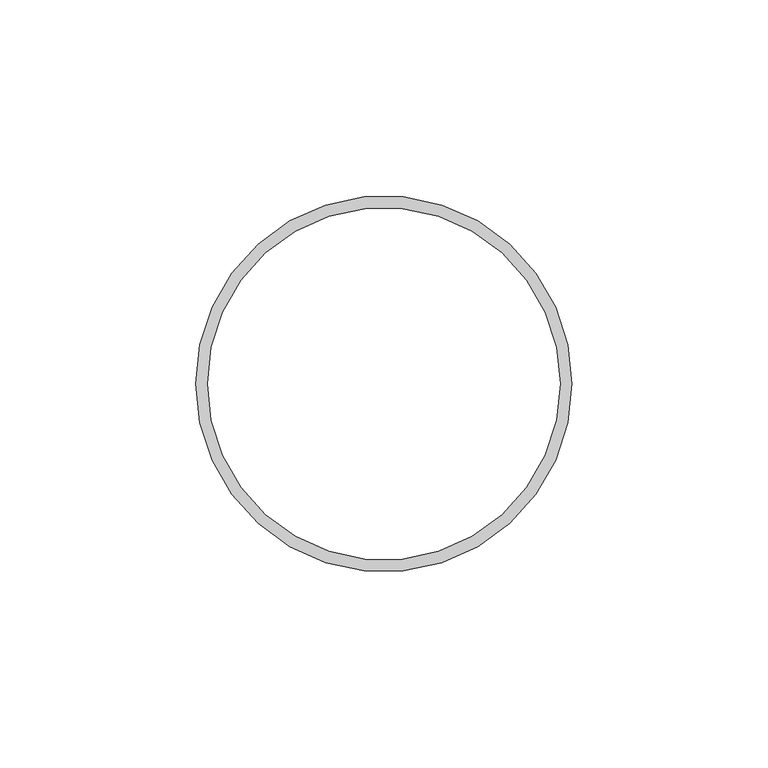
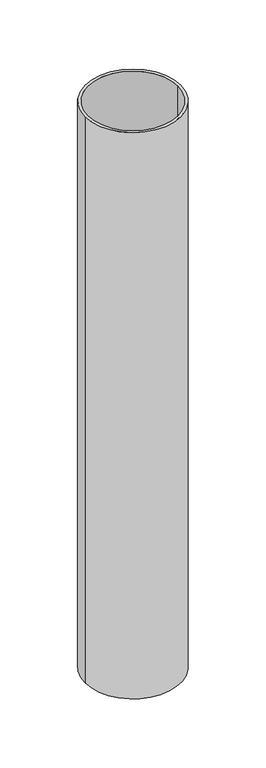
"""IFC4 building model written with IfcOpenShell, lengths in millimetres: beam geometry."""

import ifcopenshell
import ifcopenshell.guid

model = None  # the IFC model being written
_history = None  # IfcOwnerHistory: only IFC2X3 demands one
_inside = {}  # id of a spatial element -> (the spatial element, [elements in it])
_under = {}  # id of a project, library or spatial element -> (it, [spatial elements below it])
_declared = {}  # id of a project -> (the project, [libraries it declares])
_typed = {}  # id of a type object -> (the type object, [elements of that type])
_made_of = {}  # id of a material, layer set ... -> (it, [elements and type objects made of it])


def new_model(schema):
    """Start an empty IFC model of exactly this schema.

    Asked for "IFC4X3", IfcOpenShell would pick the latest addendum, in which some entities
    have other attributes; the version numbers below select the first issue.
    IFC2X3 requires an IfcOwnerHistory on every rooted entity: one is made here for all.
    """
    global model, _history
    if schema == "IFC4X3":
        model = ifcopenshell.file(schema_version=(4, 3, 0, 0))
    else:
        model = ifcopenshell.file(schema=schema)
    _inside.clear()
    _under.clear()
    _declared.clear()
    _typed.clear()
    _made_of.clear()
    _history = None
    if model.schema == "IFC2X3":
        org = make("IfcOrganization", Name="unknown")
        user = make(
            "IfcPersonAndOrganization",
            ThePerson=make("IfcPerson", FamilyName="unknown"),
            TheOrganization=org,
        )
        app = make(
            "IfcApplication",
            ApplicationDeveloper=org,
            Version="unknown",
            ApplicationFullName="unknown",
            ApplicationIdentifier="unknown",
        )
        _history = make(
            "IfcOwnerHistory",
            OwningUser=user,
            OwningApplication=app,
            ChangeAction="ADDED",
            CreationDate=0,
        )
    return model


def make(cls, **values):
    """One entity of the class cls with the attributes given. An attribute that is None is left unset."""
    return model.create_entity(
        cls, **{name: value for name, value in values.items() if value is not None}
    )


def rooted(cls, **values):
    """An entity with a GlobalId (a new one), such as an element, a storey or a relation."""
    return make(cls, GlobalId=ifcopenshell.guid.new(), OwnerHistory=_history, **values)


def si_unit(unit_type, name, prefix=None):
    """IfcSIUnit, for example si_unit("LENGTHUNIT", "METRE", prefix="MILLI")."""
    return make("IfcSIUnit", UnitType=unit_type, Prefix=prefix, Name=name)


def assignment(units):
    """IfcUnitAssignment: the units of a project."""
    return None if units is None else make("IfcUnitAssignment", Units=units)


def point(xyz):
    """IfcCartesianPoint."""
    return None if xyz is None else make("IfcCartesianPoint", Coordinates=xyz)


def direction(xyz):
    """IfcDirection."""
    return None if xyz is None else make("IfcDirection", DirectionRatios=xyz)


def frame(location, z_axis=None, x_axis=None):
    """IfcAxis2Placement3D, a coordinate frame: its origin and axes. An axis left out is left unset."""
    return make(
        "IfcAxis2Placement3D",
        Location=point(location),
        Axis=direction(z_axis),
        RefDirection=direction(x_axis),
    )


def frame_2d(location, x_axis=None):
    """IfcAxis2Placement2D, a coordinate frame in the plane: its origin and x axis."""
    return make(
        "IfcAxis2Placement2D", Location=point(location), RefDirection=direction(x_axis)
    )


def origin():
    """The frame at (0, 0, 0) with its axes left unset."""
    return frame((0.0, 0.0, 0.0))


def origin_2d():
    """The frame at (0, 0) in the plane with its x axis left unset."""
    return frame_2d((0.0, 0.0))


def place(relative_to, where):
    """IfcLocalPlacement: puts the frame where relative to a parent placement (None: the world)."""
    return make(
        "IfcLocalPlacement", PlacementRelTo=relative_to, RelativePlacement=where
    )


def context(
    kind, dimensions, precision=None, world=None, true_north=None, identifier=None
):
    """IfcGeometricRepresentationContext, for example the 3D "Model" context."""
    return make(
        "IfcGeometricRepresentationContext",
        ContextIdentifier=identifier,
        ContextType=kind,
        CoordinateSpaceDimension=dimensions,
        Precision=precision,
        WorldCoordinateSystem=world,
        TrueNorth=true_north,
    )


def project(units=None, contexts=None):
    """IfcProject with its units and contexts."""
    return rooted(
        "IfcProject",
        Name="project",
        RepresentationContexts=contexts,
        UnitsInContext=assignment(units),
    )


def spatial(cls, under=None, at=None, **own):
    """A site, building, storey or space (cls), placed at a placement, below another one or the project."""
    s = rooted(cls, ObjectPlacement=at, **own)
    if under is not None:
        _under.setdefault(under.id(), (under, []))[1].append(s)
    return s


def circle_curve(where, radius):
    """IfcCircle in the frame where."""
    return make("IfcCircle", Position=where, Radius=radius)


def trimmed(basis, trim1, trim2, sense, master):
    """IfcTrimmedCurve: the piece of a basis curve between two trims."""
    return make(
        "IfcTrimmedCurve",
        BasisCurve=basis,
        Trim1=trim1,
        Trim2=trim2,
        SenseAgreement=sense,
        MasterRepresentation=master,
    )


def segment(curve, same_sense, transition):
    """IfcCompositeCurveSegment."""
    return make(
        "IfcCompositeCurveSegment",
        Transition=transition,
        SameSense=same_sense,
        ParentCurve=curve,
    )


def composite_curve(segments, self_intersect=None):
    """IfcCompositeCurve: segments joined end to end."""
    return make("IfcCompositeCurve", Segments=segments, SelfIntersect=self_intersect)


def outline(outer, holes=None, kind="AREA"):
    """IfcArbitraryClosedProfileDef: a profile drawn as a closed curve; with holes, ...WithVoids."""
    if holes is None:
        return make("IfcArbitraryClosedProfileDef", ProfileType=kind, OuterCurve=outer)
    return make(
        "IfcArbitraryProfileDefWithVoids",
        ProfileType=kind,
        OuterCurve=outer,
        InnerCurves=holes,
    )


def extrude(swept, where, along, depth):
    """IfcExtrudedAreaSolid: the profile swept, set in the frame where, extruded along a direction by depth."""
    return make(
        "IfcExtrudedAreaSolid",
        SweptArea=swept,
        Position=where,
        ExtrudedDirection=direction(along),
        Depth=depth,
    )


def shape(context_of_items, identifier, shape_type, items):
    """IfcShapeRepresentation: the items that make up one representation, for example the "Body"."""
    return make(
        "IfcShapeRepresentation",
        ContextOfItems=context_of_items,
        RepresentationIdentifier=identifier,
        RepresentationType=shape_type,
        Items=items,
    )


def source(mapping_origin, context_of_items, identifier, shape_type, items):
    """IfcRepresentationMap: a shape defined once, which mapped items show again and again."""
    return make(
        "IfcRepresentationMap",
        MappingOrigin=mapping_origin,
        MappedRepresentation=shape(context_of_items, identifier, shape_type, items),
    )


def transform(
    local_origin,
    x_axis=None,
    y_axis=None,
    z_axis=None,
    scale=None,
    scale2=None,
    scale3=None,
    uniform=True,
):
    """IfcCartesianTransformationOperator3D, or its non-uniform kind. x_axis, y_axis, z_axis: its Axis1, 2, 3."""
    if uniform:
        return make(
            "IfcCartesianTransformationOperator3D",
            Axis1=direction(x_axis),
            Axis2=direction(y_axis),
            LocalOrigin=point(local_origin),
            Scale=scale,
            Axis3=direction(z_axis),
        )
    return make(
        "IfcCartesianTransformationOperator3DnonUniform",
        Axis1=direction(x_axis),
        Axis2=direction(y_axis),
        LocalOrigin=point(local_origin),
        Scale=scale,
        Axis3=direction(z_axis),
        Scale2=scale2,
        Scale3=scale3,
    )


def mapped(mapping_source, mapping_target):
    """IfcMappedItem: shows the shape of a source again, moved by a transform."""
    return make(
        "IfcMappedItem", MappingSource=mapping_source, MappingTarget=mapping_target
    )


def made_of(thing, what):
    """Note that an element or type object is made of a material, layer set ...; save() writes the relation."""
    if what is not None:
        _made_of.setdefault(what.id(), (what, []))[1].append(thing)
    return thing


def element(
    cls,
    number,
    at=None,
    inside=None,
    cuts=None,
    type_object=None,
    material=None,
    context=None,
    identifier="Body",
    shape_type=None,
    held_by="IfcProductDefinitionShape",
    body=None,
    shapes=None,
    **own,
):
    """One element of the class cls, such as IfcWall. Its Tag is "e" and its number.

    at: its placement. inside: the storey or other place that contains it. cuts: it is an
    opening in that element (IfcRelVoidsElement). A single representation is given by context,
    identifier, shape_type and body (its items); several are given by shapes. held_by: the class
    of the entity that holds the representations. save() writes the other relations.
    """
    e = rooted(cls, Tag="e%d" % number, ObjectPlacement=at, **own)
    if body is not None:
        shapes = [shape(context, identifier, shape_type, body)]
    if shapes is not None:
        e.Representation = make(held_by, Representations=shapes)
    if inside is not None:
        _inside.setdefault(inside.id(), (inside, []))[1].append(e)
    if cuts is not None:
        rooted(
            "IfcRelVoidsElement", RelatingBuildingElement=cuts, RelatedOpeningElement=e
        )
    if type_object is not None:
        _typed.setdefault(type_object.id(), (type_object, []))[1].append(e)
    return made_of(e, material)


def aggregate(whole, parts):
    """IfcRelAggregates: a whole, such as a stair, and the parts it consists of."""
    return rooted("IfcRelAggregates", RelatingObject=whole, RelatedObjects=parts)


def save(model, path):
    """Write the relations noted so far, then the file.

    IfcRelAggregates (storeys below a building ...), IfcRelContainedInSpatialStructure (elements
    in a storey), IfcRelDefinesByType, IfcRelAssociatesMaterial and IfcRelDeclares: one each for
    every whole, place, type object, material and project.
    """
    for whole, parts in _under.values():
        aggregate(whole, parts)
    for where, things in _inside.values():
        rooted(
            "IfcRelContainedInSpatialStructure",
            RelatedElements=things,
            RelatingStructure=where,
        )
    for kind, things in _typed.values():
        rooted("IfcRelDefinesByType", RelatedObjects=things, RelatingType=kind)
    for what, things in _made_of.values():
        rooted("IfcRelAssociatesMaterial", RelatedObjects=things, RelatingMaterial=what)
    for by, libraries in _declared.values():
        rooted("IfcRelDeclares", RelatingContext=by, RelatedDefinitions=libraries)
    model.write(path)


def beam_f6bc1764(model_context):
    return source(origin(), model_context, "Body", "SweptSolid", [
        extrude(outline(composite_curve([segment(trimmed(circle_curve(origin_2d(), 48.0), [point((48.0, 0.0))], [point((-48.0, 0.0))], False, "CARTESIAN"), True, "CONTINUOUS"), segment(trimmed(circle_curve(origin_2d(), 48.0), [point((-48.0, 0.0))], [point((48.0, 0.0))], False, "CARTESIAN"), True, "CONTINUOUS")], self_intersect=False), holes=[composite_curve([segment(trimmed(circle_curve(origin_2d(), 45.0), [point((45.0, 0.0))], [point((-45.0, 0.0))], True, "CARTESIAN"), True, "CONTINUOUS"), segment(trimmed(circle_curve(origin_2d(), 45.0), [point((-45.0, 0.0))], [point((45.0, 0.0))], True, "CARTESIAN"), True, "CONTINUOUS")], self_intersect=False)]), frame((0.0, 0.0, -600.0), z_axis=(0.0, 0.0, 1.0), x_axis=(1.0, 0.0, 0.0)), (0.0, 0.0, 1.0), 600.0),
    ])


if __name__ == "__main__":
    model = new_model("IFC4")
    model_context = context("Model", 3, world=origin())
    ifc_project = project(units=[si_unit("LENGTHUNIT", "METRE", prefix="MILLI")], contexts=[model_context])
    site = spatial("IfcSite", under=ifc_project)
    building = spatial("IfcBuilding", under=site)
    placement = place(None, origin())
    beam_shape = beam_f6bc1764(model_context)
    element("IfcBeam", 1, at=placement, inside=building, context=model_context, shape_type="MappedRepresentation", body=[
        mapped(beam_shape, transform((0.0, 0.0, 0.0), x_axis=(1.0, 0.0, 0.0), y_axis=(0.0, 1.0, 0.0), z_axis=(0.0, 0.0, 1.0))),
    ])
    save(model, "model.ifc")
